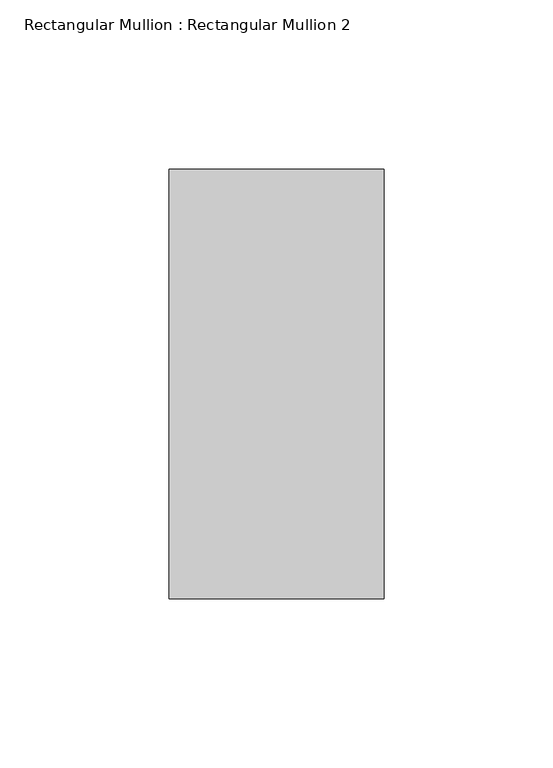
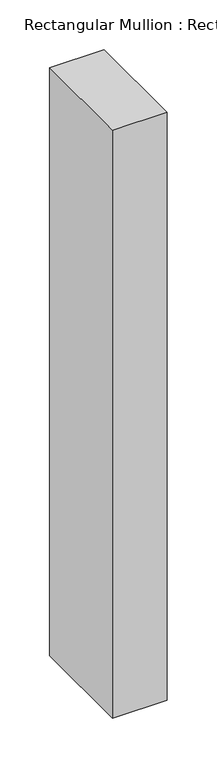
"""IFC4 building model written with IfcOpenShell, lengths in millimetres: member geometry, Rectangular Mullion : Rectangular Mullion 2."""

from ifc_helpers import new_model, si_unit, frame, origin, place, context, project, spatial, polyline, outline, extrude, source, transform, mapped, element, save


def rectangular_mullion_rectangular_mullion_2_c51a3dfb(model_context):
    return source(origin(), model_context, "Body", "SweptSolid", [
        extrude(outline(polyline([(31.8, 188.5), (31.8, 61.5), (-31.8, 61.5), (-31.8, 188.5), (31.8, 188.5)])), frame((0.0, 0.0, -722.4), z_axis=(0.0, 0.0, 1.0), x_axis=(1.0, 0.0, 0.0)), (0.0, 0.0, 1.0), 722.4),
    ])


if __name__ == "__main__":
    model = new_model("IFC4")
    model_context = context("Model", 3, world=origin())
    ifc_project = project(units=[si_unit("LENGTHUNIT", "METRE", prefix="MILLI")], contexts=[model_context])
    site = spatial("IfcSite", under=ifc_project)
    building = spatial("IfcBuilding", under=site)
    placement = place(None, origin())
    rectangular_mullion_rectangular_mullion_2_shape = rectangular_mullion_rectangular_mullion_2_c51a3dfb(model_context)
    element("IfcMember", 1, ObjectType="Rectangular Mullion : Rectangular Mullion 2", at=placement, inside=building, context=model_context, shape_type="MappedRepresentation", body=[
        mapped(rectangular_mullion_rectangular_mullion_2_shape, transform((0.0, 0.0, 0.0), x_axis=(1.0, 0.0, 0.0), y_axis=(0.0, 1.0, 0.0), z_axis=(0.0, 0.0, 1.0))),
    ])
    save(model, "model.ifc")
